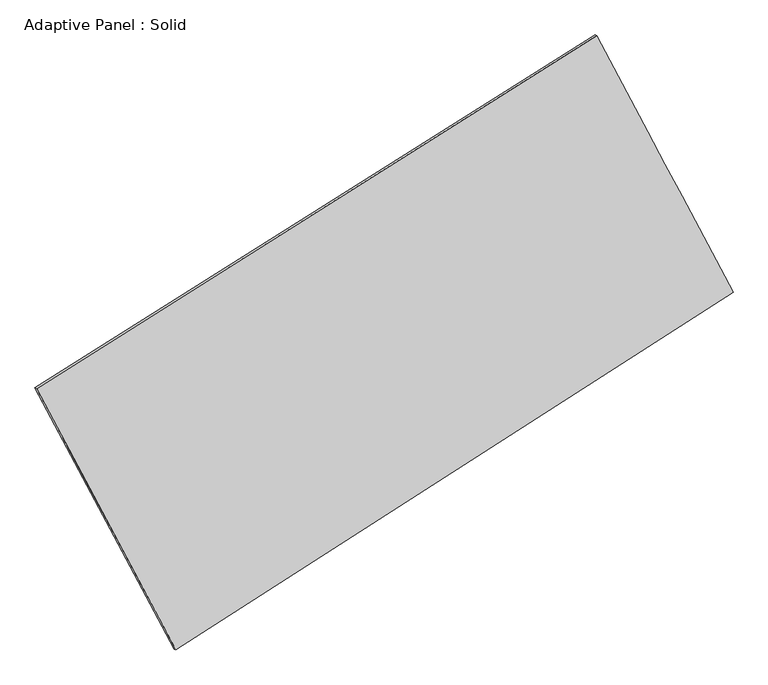
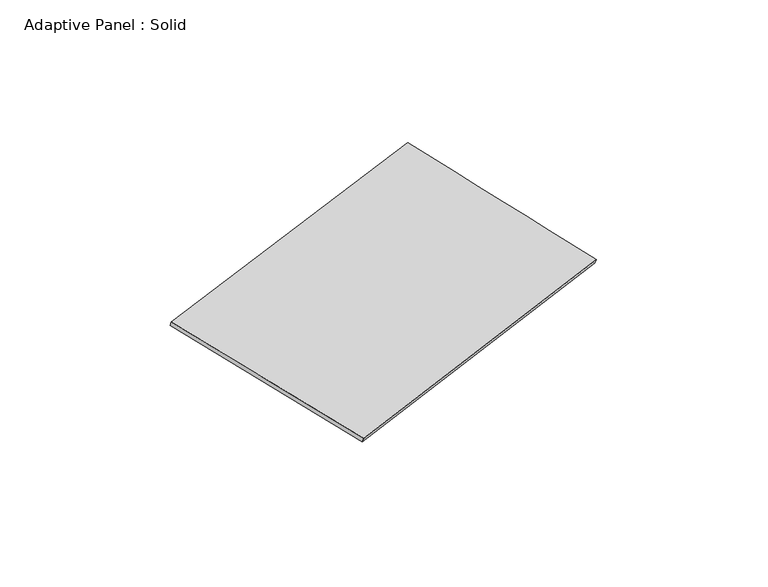
"""IFC4 building model written with IfcOpenShell, lengths in millimetres: plate geometry, Adaptive Panel : Solid."""

from ifc_helpers import new_model, si_unit, frame, origin, place, context, project, spatial, source, transform, mapped, element, save
from ifc_brep_helpers import plane_surface, spline_surface, advanced_brep


def adaptive_panel_solid_f36371d8(model_context):
    return source(origin(), model_context, "Body", "AdvancedBrep", [
        advanced_brep(
        [(1195.7861881, 2574.5248045, 669.913276), (-3701.7972763, -511.2743597, 1750.4877813), (-3687.1309205, -517.6544531, 1797.8606893), (1210.4525439, 2568.144711, 717.286184), (-2483.7883015, -2794.3660978, 1085.8622877), (-2469.1219457, -2800.7461912, 1133.2351957), (2386.5088116, 330.8670801, -21.1408247), (2401.1751674, 324.4869866, 26.2320833)],
        [
            (0, 1),
            (1, 2),
            (2, 3),
            (3, 0),
            (1, 4),
            (4, 5),
            (5, 2),
            (4, 6),
            (6, 7),
            (7, 5),
            (6, 0),
            (3, 7),
        ],
        [
            plane_surface(frame((-1253.0055441, 1031.6252224, 1210.2005286), z_axis=(-0.47307955829814113, 0.8418310926588146, 0.25983868640620483), x_axis=(-0.8316997821963691, -0.5240254732563943, 0.18350143234570215))),
            plane_surface(frame((-3092.7927889, -1652.8202287, 1418.1750345), z_axis=(-0.8414227255804814, -0.5049286505055444, 0.19249637600579422), x_axis=(0.4558992578248156, -0.8545584231862811, -0.24876850298251044))),
            plane_surface(frame((-48.6397449, -1231.7495088, 532.3607315), z_axis=(0.4786018408876695, -0.8383196837685052, -0.2610754406396886), x_axis=(0.8266345613395603, 0.5304452063320446, -0.18789141832001682))),
            plane_surface(frame((1791.1474998, 1452.6959423, 324.3862256), z_axis=(0.8410708562557893, 0.5055898994016312, -0.1922983837170827), x_axis=(-0.45233848348765343, 0.8523334590728554, 0.26252156273531363))),
            spline_surface(1, 1, [[(-3687.1309205, -517.6544531, 1797.8606893), (1210.4525439, 2568.144711, 717.286184)], [(-2469.1219457, -2800.7461912, 1133.2351957), (2401.1751674, 324.4869866, 26.2320833)]], [2, 2], [2, 2], [0.0, 1.0], [0.0, 1.0]),
            spline_surface(1, 1, [[(2386.5088116, 330.8670801, -21.1408247), (1195.7861881, 2574.5248045, 669.913276)], [(-2483.7883015, -2794.3660978, 1085.8622877), (-3701.7972763, -511.2743597, 1750.4877813)]], [2, 2], [2, 2], [0.0, 1.0], [0.0, 1.0]),
        ],
        [
            (0, [[1, 2, 3, 4]]),
            (1, [[5, 6, 7, -2]]),
            (2, [[8, 9, 10, -6]]),
            (3, [[11, -4, 12, -9]]),
            (4, [[-3, -7, -10, -12]]),
            (5, [[-11, -8, -5, -1]]),
        ],
    ),
    ])


if __name__ == "__main__":
    model = new_model("IFC4")
    model_context = context("Model", 3, world=origin())
    ifc_project = project(units=[si_unit("LENGTHUNIT", "METRE", prefix="MILLI")], contexts=[model_context])
    site = spatial("IfcSite", under=ifc_project)
    building = spatial("IfcBuilding", under=site)
    placement = place(None, origin())
    adaptive_panel_solid_shape = adaptive_panel_solid_f36371d8(model_context)
    element("IfcPlate", 1, ObjectType="Adaptive Panel : Solid", at=placement, inside=building, context=model_context, shape_type="MappedRepresentation", body=[
        mapped(adaptive_panel_solid_shape, transform((0.0, 0.0, 0.0), x_axis=(1.0, 0.0, 0.0), y_axis=(0.0, 1.0, 0.0), z_axis=(0.0, 0.0, 1.0))),
    ])
    save(model, "model.ifc")
